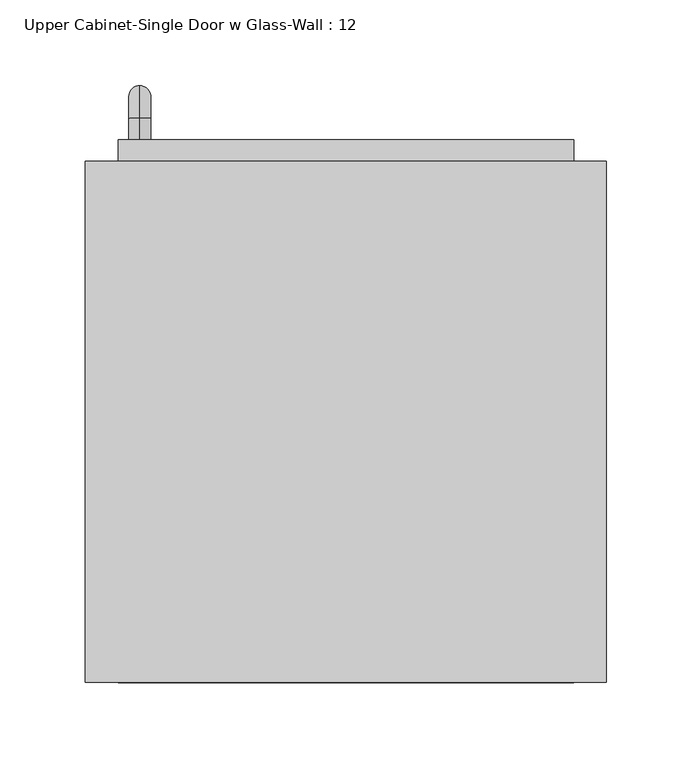
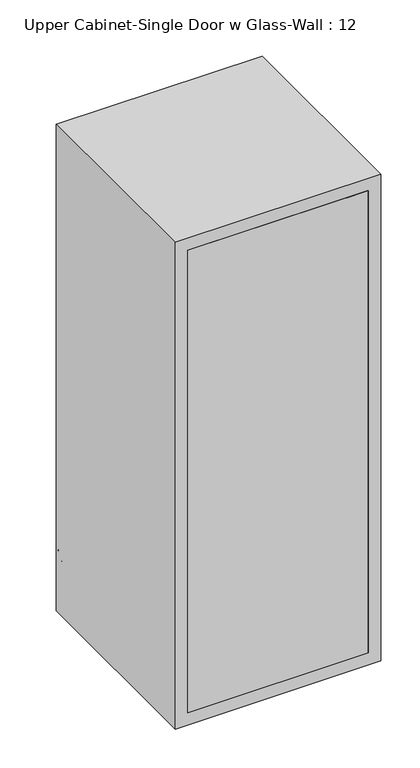
"""IFC4 building model written with IfcOpenShell, lengths in millimetres: furniture geometry, Upper Cabinet-Single Door w Glass-Wall : 12."""

import ifcopenshell
import ifcopenshell.guid

model = None  # the IFC model being written
_history = None  # IfcOwnerHistory: only IFC2X3 demands one
_inside = {}  # id of a spatial element -> (the spatial element, [elements in it])
_under = {}  # id of a project, library or spatial element -> (it, [spatial elements below it])
_declared = {}  # id of a project -> (the project, [libraries it declares])
_typed = {}  # id of a type object -> (the type object, [elements of that type])
_made_of = {}  # id of a material, layer set ... -> (it, [elements and type objects made of it])


def new_model(schema):
    """Start an empty IFC model of exactly this schema.

    Asked for "IFC4X3", IfcOpenShell would pick the latest addendum, in which some entities
    have other attributes; the version numbers below select the first issue.
    IFC2X3 requires an IfcOwnerHistory on every rooted entity: one is made here for all.
    """
    global model, _history
    if schema == "IFC4X3":
        model = ifcopenshell.file(schema_version=(4, 3, 0, 0))
    else:
        model = ifcopenshell.file(schema=schema)
    _inside.clear()
    _under.clear()
    _declared.clear()
    _typed.clear()
    _made_of.clear()
    _history = None
    if model.schema == "IFC2X3":
        org = make("IfcOrganization", Name="unknown")
        user = make(
            "IfcPersonAndOrganization",
            ThePerson=make("IfcPerson", FamilyName="unknown"),
            TheOrganization=org,
        )
        app = make(
            "IfcApplication",
            ApplicationDeveloper=org,
            Version="unknown",
            ApplicationFullName="unknown",
            ApplicationIdentifier="unknown",
        )
        _history = make(
            "IfcOwnerHistory",
            OwningUser=user,
            OwningApplication=app,
            ChangeAction="ADDED",
            CreationDate=0,
        )
    return model


def make(cls, **values):
    """One entity of the class cls with the attributes given. An attribute that is None is left unset."""
    return model.create_entity(
        cls, **{name: value for name, value in values.items() if value is not None}
    )


def rooted(cls, **values):
    """An entity with a GlobalId (a new one), such as an element, a storey or a relation."""
    return make(cls, GlobalId=ifcopenshell.guid.new(), OwnerHistory=_history, **values)


def si_unit(unit_type, name, prefix=None):
    """IfcSIUnit, for example si_unit("LENGTHUNIT", "METRE", prefix="MILLI")."""
    return make("IfcSIUnit", UnitType=unit_type, Prefix=prefix, Name=name)


def assignment(units):
    """IfcUnitAssignment: the units of a project."""
    return None if units is None else make("IfcUnitAssignment", Units=units)


def point(xyz):
    """IfcCartesianPoint."""
    return None if xyz is None else make("IfcCartesianPoint", Coordinates=xyz)


def direction(xyz):
    """IfcDirection."""
    return None if xyz is None else make("IfcDirection", DirectionRatios=xyz)


def frame(location, z_axis=None, x_axis=None):
    """IfcAxis2Placement3D, a coordinate frame: its origin and axes. An axis left out is left unset."""
    return make(
        "IfcAxis2Placement3D",
        Location=point(location),
        Axis=direction(z_axis),
        RefDirection=direction(x_axis),
    )


def origin():
    """The frame at (0, 0, 0) with its axes left unset."""
    return frame((0.0, 0.0, 0.0))


def place(relative_to, where):
    """IfcLocalPlacement: puts the frame where relative to a parent placement (None: the world)."""
    return make(
        "IfcLocalPlacement", PlacementRelTo=relative_to, RelativePlacement=where
    )


def context(
    kind, dimensions, precision=None, world=None, true_north=None, identifier=None
):
    """IfcGeometricRepresentationContext, for example the 3D "Model" context."""
    return make(
        "IfcGeometricRepresentationContext",
        ContextIdentifier=identifier,
        ContextType=kind,
        CoordinateSpaceDimension=dimensions,
        Precision=precision,
        WorldCoordinateSystem=world,
        TrueNorth=true_north,
    )


def project(units=None, contexts=None):
    """IfcProject with its units and contexts."""
    return rooted(
        "IfcProject",
        Name="project",
        RepresentationContexts=contexts,
        UnitsInContext=assignment(units),
    )


def spatial(cls, under=None, at=None, **own):
    """A site, building, storey or space (cls), placed at a placement, below another one or the project."""
    s = rooted(cls, ObjectPlacement=at, **own)
    if under is not None:
        _under.setdefault(under.id(), (under, []))[1].append(s)
    return s


def polyline(points):
    """IfcPolyline through the points."""
    return make("IfcPolyline", Points=[point(p) for p in points])


def circle_curve(where, radius):
    """IfcCircle in the frame where."""
    return make("IfcCircle", Position=where, Radius=radius)


def ellipse_curve(where, semi_axis1, semi_axis2):
    """IfcEllipse in the frame where."""
    return make(
        "IfcEllipse", Position=where, SemiAxis1=semi_axis1, SemiAxis2=semi_axis2
    )


def trimmed(basis, trim1, trim2, sense, master):
    """IfcTrimmedCurve: the piece of a basis curve between two trims."""
    return make(
        "IfcTrimmedCurve",
        BasisCurve=basis,
        Trim1=trim1,
        Trim2=trim2,
        SenseAgreement=sense,
        MasterRepresentation=master,
    )


def outline(outer, holes=None, kind="AREA"):
    """IfcArbitraryClosedProfileDef: a profile drawn as a closed curve; with holes, ...WithVoids."""
    if holes is None:
        return make("IfcArbitraryClosedProfileDef", ProfileType=kind, OuterCurve=outer)
    return make(
        "IfcArbitraryProfileDefWithVoids",
        ProfileType=kind,
        OuterCurve=outer,
        InnerCurves=holes,
    )


def extrude(swept, where, along, depth):
    """IfcExtrudedAreaSolid: the profile swept, set in the frame where, extruded along a direction by depth."""
    return make(
        "IfcExtrudedAreaSolid",
        SweptArea=swept,
        Position=where,
        ExtrudedDirection=direction(along),
        Depth=depth,
    )


def shape(context_of_items, identifier, shape_type, items):
    """IfcShapeRepresentation: the items that make up one representation, for example the "Body"."""
    return make(
        "IfcShapeRepresentation",
        ContextOfItems=context_of_items,
        RepresentationIdentifier=identifier,
        RepresentationType=shape_type,
        Items=items,
    )


def source(mapping_origin, context_of_items, identifier, shape_type, items):
    """IfcRepresentationMap: a shape defined once, which mapped items show again and again."""
    return make(
        "IfcRepresentationMap",
        MappingOrigin=mapping_origin,
        MappedRepresentation=shape(context_of_items, identifier, shape_type, items),
    )


def transform(
    local_origin,
    x_axis=None,
    y_axis=None,
    z_axis=None,
    scale=None,
    scale2=None,
    scale3=None,
    uniform=True,
):
    """IfcCartesianTransformationOperator3D, or its non-uniform kind. x_axis, y_axis, z_axis: its Axis1, 2, 3."""
    if uniform:
        return make(
            "IfcCartesianTransformationOperator3D",
            Axis1=direction(x_axis),
            Axis2=direction(y_axis),
            LocalOrigin=point(local_origin),
            Scale=scale,
            Axis3=direction(z_axis),
        )
    return make(
        "IfcCartesianTransformationOperator3DnonUniform",
        Axis1=direction(x_axis),
        Axis2=direction(y_axis),
        LocalOrigin=point(local_origin),
        Scale=scale,
        Axis3=direction(z_axis),
        Scale2=scale2,
        Scale3=scale3,
    )


def mapped(mapping_source, mapping_target):
    """IfcMappedItem: shows the shape of a source again, moved by a transform."""
    return make(
        "IfcMappedItem", MappingSource=mapping_source, MappingTarget=mapping_target
    )


def made_of(thing, what):
    """Note that an element or type object is made of a material, layer set ...; save() writes the relation."""
    if what is not None:
        _made_of.setdefault(what.id(), (what, []))[1].append(thing)
    return thing


def element(
    cls,
    number,
    at=None,
    inside=None,
    cuts=None,
    type_object=None,
    material=None,
    context=None,
    identifier="Body",
    shape_type=None,
    held_by="IfcProductDefinitionShape",
    body=None,
    shapes=None,
    **own,
):
    """One element of the class cls, such as IfcWall. Its Tag is "e" and its number.

    at: its placement. inside: the storey or other place that contains it. cuts: it is an
    opening in that element (IfcRelVoidsElement). A single representation is given by context,
    identifier, shape_type and body (its items); several are given by shapes. held_by: the class
    of the entity that holds the representations. save() writes the other relations.
    """
    e = rooted(cls, Tag="e%d" % number, ObjectPlacement=at, **own)
    if body is not None:
        shapes = [shape(context, identifier, shape_type, body)]
    if shapes is not None:
        e.Representation = make(held_by, Representations=shapes)
    if inside is not None:
        _inside.setdefault(inside.id(), (inside, []))[1].append(e)
    if cuts is not None:
        rooted(
            "IfcRelVoidsElement", RelatingBuildingElement=cuts, RelatedOpeningElement=e
        )
    if type_object is not None:
        _typed.setdefault(type_object.id(), (type_object, []))[1].append(e)
    return made_of(e, material)


def aggregate(whole, parts):
    """IfcRelAggregates: a whole, such as a stair, and the parts it consists of."""
    return rooted("IfcRelAggregates", RelatingObject=whole, RelatedObjects=parts)


def save(model, path):
    """Write the relations noted so far, then the file.

    IfcRelAggregates (storeys below a building ...), IfcRelContainedInSpatialStructure (elements
    in a storey), IfcRelDefinesByType, IfcRelAssociatesMaterial and IfcRelDeclares: one each for
    every whole, place, type object, material and project.
    """
    for whole, parts in _under.values():
        aggregate(whole, parts)
    for where, things in _inside.values():
        rooted(
            "IfcRelContainedInSpatialStructure",
            RelatedElements=things,
            RelatingStructure=where,
        )
    for kind, things in _typed.values():
        rooted("IfcRelDefinesByType", RelatedObjects=things, RelatingType=kind)
    for what, things in _made_of.values():
        rooted("IfcRelAssociatesMaterial", RelatedObjects=things, RelatingMaterial=what)
    for by, libraries in _declared.values():
        rooted("IfcRelDeclares", RelatingContext=by, RelatedDefinitions=libraries)
    model.write(path)


def plane_surface(at):
    """IfcPlane: the flat surface through the origin of the frame at, square to its z axis."""
    return make("IfcPlane", Position=at)


def cylinder_surface(at, radius):
    """IfcCylindricalSurface: all points at the distance radius from the z axis of the frame at."""
    return make("IfcCylindricalSurface", Position=at, Radius=radius)


def revolved_surface(curve, axis_point, axis_direction):
    """IfcSurfaceOfRevolution: the curve turned about the line through axis_point along axis_direction."""
    return make(
        "IfcSurfaceOfRevolution",
        SweptCurve=make("IfcArbitraryOpenProfileDef", ProfileType="CURVE", Curve=curve),
        AxisPosition=make("IfcAxis1Placement", Location=point(axis_point), Axis=direction(axis_direction)),
    )


def advanced_brep(points, edges, surfaces, faces):
    """IfcAdvancedBrep: a solid bounded by faces that lie on surfaces and meet in shared edges.

    An edge is (start, end): straight between two places in points (the first is 0);
    or (start, end, curve); or (start, end, curve, False) where it runs against its curve.
    A face is (place in surfaces, loops), or (place, loops, False) where it looks against
    its surface's normal. A loop lists edges by number (the first is 1), with a minus sign
    where the edge is run from its end to its start. The first loop is the outer one.
    """
    corners = [point(p) for p in points]
    vertices = [make("IfcVertexPoint", VertexGeometry=c) for c in corners]
    made = []
    for start, end, *more in edges:
        made.append(
            make(
                "IfcEdgeCurve",
                EdgeStart=vertices[start],
                EdgeEnd=vertices[end],
                EdgeGeometry=more[0] if more else make("IfcPolyline", Points=[corners[start], corners[end]]),
                SameSense=more[1] if len(more) > 1 else True,
            )
        )
    hull = []
    for where, loops, *sense in faces:
        bounds = []
        for j, loop in enumerate(loops):
            ring = [make("IfcOrientedEdge", EdgeElement=made[abs(k) - 1], Orientation=k > 0) for k in loop]
            bounds.append(
                make(
                    "IfcFaceOuterBound" if j == 0 else "IfcFaceBound",
                    Bound=make("IfcEdgeLoop", EdgeList=ring),
                    Orientation=True,
                )
            )
        hull.append(make("IfcAdvancedFace", Bounds=bounds, FaceSurface=surfaces[where], SameSense=sense[0] if sense else True))
    return make("IfcAdvancedBrep", Outer=make("IfcClosedShell", CfsFaces=hull))


def upper_cabinet_single_door_w_glass_wall_12_1d79a73d(model_context):
    return source(origin(), model_context, "Body", "SolidModel", [
        advanced_brep(
        [(-90.8788372, 387.35, 1517.65), (-90.8788372, 387.35, 1530.35), (-90.8788372, 400.05, 1517.65), (-90.8788372, 400.05, 1530.35), (-90.8788372, 419.1, 1511.3), (-90.8788372, 406.4, 1511.3), (-90.8788372, 406.4, 1435.1), (-90.8788372, 419.1, 1435.1), (-90.8788372, 400.05, 1416.05), (-90.8788372, 400.05, 1428.75), (-90.8788372, 387.35, 1428.75), (-90.8788372, 387.35, 1416.05)],
        [
            (0, 1, circle_curve(frame((-90.8788372, 387.35, 1524.0), z_axis=(0.0, -1.0, 0.0), x_axis=(0.0, 0.0, 1.0)), 6.35)),
            (1, 0, circle_curve(frame((-90.8788372, 387.35, 1524.0), z_axis=(0.0, -1.0, 0.0), x_axis=(0.0, 0.0, 1.0)), 6.35)),
            (0, 2),
            (2, 3, circle_curve(frame((-90.8788372, 400.05, 1524.0), z_axis=(0.0, -1.0, 0.0), x_axis=(0.0, 0.0, 1.0)), 6.35)),
            (3, 1),
            (3, 2, circle_curve(frame((-90.8788372, 400.05, 1524.0), z_axis=(0.0, -1.0, 0.0), x_axis=(0.0, 0.0, 1.0)), 6.35)),
            (4, 3, circle_curve(frame((-90.8788372, 400.05, 1511.3), z_axis=(1.0, 0.0, 0.0), x_axis=(0.0, 0.0, 1.0)), 19.05)),
            (2, 5, circle_curve(frame((-90.8788372, 400.05, 1511.3), z_axis=(-1.0, 0.0, 0.0), x_axis=(0.0, 0.0, 1.0)), 6.35)),
            (5, 4, circle_curve(frame((-90.8788372, 412.75, 1511.3), z_axis=(0.0, 0.0, 1.0), x_axis=(0.0, 1.0, 0.0)), 6.35)),
            (4, 5, circle_curve(frame((-90.8788372, 412.75, 1511.3), z_axis=(0.0, 0.0, 1.0), x_axis=(0.0, 1.0, 0.0)), 6.35)),
            (5, 6),
            (6, 7, circle_curve(frame((-90.8788372, 412.75, 1435.1), z_axis=(0.0, 0.0, 1.0), x_axis=(0.0, 1.0, 0.0)), 6.35)),
            (7, 4),
            (7, 6, circle_curve(frame((-90.8788372, 412.75, 1435.1), z_axis=(0.0, 0.0, 1.0), x_axis=(0.0, 1.0, 0.0)), 6.35)),
            (8, 7, circle_curve(frame((-90.8788372, 400.05, 1435.1), z_axis=(1.0, 0.0, 0.0), x_axis=(0.0, 1.0, 0.0)), 19.05)),
            (6, 9, circle_curve(frame((-90.8788372, 400.05, 1435.1), z_axis=(-1.0, 0.0, 0.0), x_axis=(0.0, 1.0, 0.0)), 6.35)),
            (9, 8, circle_curve(frame((-90.8788372, 400.05, 1422.4), z_axis=(0.0, 1.0, 0.0), x_axis=(0.0, 0.0, -1.0)), 6.35)),
            (8, 9, circle_curve(frame((-90.8788372, 400.05, 1422.4), z_axis=(0.0, 1.0, 0.0), x_axis=(0.0, 0.0, -1.0)), 6.35)),
            (10, 11, circle_curve(frame((-90.8788372, 387.35, 1422.4), z_axis=(0.0, -1.0, 0.0), x_axis=(0.0, 0.0, -1.0)), 6.35)),
            (11, 10, circle_curve(frame((-90.8788372, 387.35, 1422.4), z_axis=(0.0, -1.0, 0.0), x_axis=(0.0, 0.0, -1.0)), 6.35)),
            (9, 10),
            (11, 8),
        ],
        [
            plane_surface(frame((-97.2288372, 387.35, 1524.0), z_axis=(0.0, -1.0, 0.0), x_axis=(0.0, 0.0, 1.0))),
            cylinder_surface(frame((-90.8788372, 387.35, 1524.0), z_axis=(0.0, -1.0, 0.0), x_axis=(0.0, 0.0, 1.0)), 6.35),
            revolved_surface(trimmed(ellipse_curve(frame((-90.8788372, 400.05, 1524.0), z_axis=(0.0, -1.0, 0.0), x_axis=(0.0, 0.0, 1.0)), 6.35, 6.35), [point((-90.8788372, 400.05, 1517.65))], [point((-90.8788372, 400.05, 1530.35))], True, "CARTESIAN"), (-90.8788372, 400.05, 1511.3), (-1.0, 0.0, 0.0)),
            revolved_surface(trimmed(ellipse_curve(frame((-90.8788372, 400.05, 1524.0), z_axis=(0.0, -1.0, 0.0), x_axis=(0.0, 0.0, 1.0)), 6.35, 6.35), [point((-90.8788372, 400.05, 1530.35))], [point((-90.8788372, 400.05, 1517.65))], True, "CARTESIAN"), (-90.8788372, 400.05, 1511.3), (-1.0, 0.0, 0.0)),
            cylinder_surface(frame((-90.8788372, 412.75, 1511.3), z_axis=(0.0, 0.0, 1.0), x_axis=(0.0, 1.0, 0.0)), 6.35),
            revolved_surface(trimmed(ellipse_curve(frame((-90.8788372, 412.75, 1435.1), z_axis=(0.0, 0.0, 1.0), x_axis=(0.0, 1.0, 0.0)), 6.35, 6.35), [point((-90.8788372, 406.4, 1435.1))], [point((-90.8788372, 419.1, 1435.1))], True, "CARTESIAN"), (-90.8788372, 400.05, 1435.1), (-1.0, 0.0, 0.0)),
            revolved_surface(trimmed(ellipse_curve(frame((-90.8788372, 412.75, 1435.1), z_axis=(0.0, 0.0, 1.0), x_axis=(0.0, 1.0, 0.0)), 6.35, 6.35), [point((-90.8788372, 419.1, 1435.1))], [point((-90.8788372, 406.4, 1435.1))], True, "CARTESIAN"), (-90.8788372, 400.05, 1435.1), (-1.0, 0.0, 0.0)),
            plane_surface(frame((-97.2288372, 387.35, 1422.4), z_axis=(0.0, -1.0, 0.0), x_axis=(0.0, 0.0, -1.0))),
            cylinder_surface(frame((-90.8788372, 400.05, 1422.4), z_axis=(0.0, 1.0, 0.0), x_axis=(0.0, 0.0, -1.0)), 6.35),
        ],
        [
            (0, [[1, 2]]),
            (1, [[-1, 3, 4, 5]]),
            (1, [[-2, -5, 6, -3]]),
            (2, [[7, -4, 8, 9]]),
            (3, [[-8, -6, -7, 10]]),
            (4, [[-9, 11, 12, 13]]),
            (4, [[-10, -13, 14, -11]]),
            (5, [[15, -12, 16, 17]]),
            (6, [[-16, -14, -15, 18]]),
            (7, [[19, 20]]),
            (8, [[-17, 21, -20, 22]]),
            (8, [[-18, -22, -19, -21]]),
        ],
    ),
        extrude(outline(polyline([(-71.8288372, 368.3), (131.3711628, 368.3), (131.3711628, 361.95), (-71.8288372, 361.95), (-71.8288372, 368.3)])), frame((0.0, 0.0, 1422.4), z_axis=(0.0, 0.0, 1.0), x_axis=(1.0, 0.0, 0.0)), (0.0, 0.0, 1.0), 660.4),
        extrude(outline(polyline([(2114.55, -103.5788372), (1390.65, -103.5788372), (1390.65, 163.1211628), (2114.55, 163.1211628), (2114.55, -103.5788372)]), holes=[polyline([(1422.4, -71.8288372), (2082.8, -71.8288372), (2082.8, 131.3711628), (1422.4, 131.3711628), (1422.4, -71.8288372)])]), frame((0.0, 355.6, 0.0), z_axis=(0.0, 1.0, 0.0), x_axis=(0.0, 0.0, 1.0)), (0.0, 0.0, 1.0), 31.75),
        extrude(outline(polyline([(163.1211628, 69.85), (-103.5788372, 69.85), (-103.5788372, 88.9), (163.1211628, 88.9), (163.1211628, 69.85)])), frame((0.0, 0.0, 1390.65), z_axis=(0.0, 0.0, 1.0), x_axis=(1.0, 0.0, 0.0)), (0.0, 0.0, 1.0), 723.9),
        extrude(outline(polyline([(2133.6, -122.6288372), (1371.6, -122.6288372), (1371.6, 182.1711628), (2133.6, 182.1711628), (2133.6, -122.6288372)]), holes=[polyline([(2114.55, -103.5788372), (2114.55, 163.1211628), (1390.65, 163.1211628), (1390.65, -103.5788372), (2114.55, -103.5788372)])]), frame((0.0, 69.85, 0.0), z_axis=(0.0, 1.0, 0.0), x_axis=(0.0, 0.0, 1.0)), (0.0, 0.0, 1.0), 304.8),
    ])


if __name__ == "__main__":
    model = new_model("IFC4")
    model_context = context("Model", 3, world=origin())
    ifc_project = project(units=[si_unit("LENGTHUNIT", "METRE", prefix="MILLI")], contexts=[model_context])
    site = spatial("IfcSite", under=ifc_project)
    building = spatial("IfcBuilding", under=site)
    placement = place(None, origin())
    upper_cabinet_single_door_w_glass_wall_12_shape = upper_cabinet_single_door_w_glass_wall_12_1d79a73d(model_context)
    element("IfcFurniture", 1, ObjectType="Upper Cabinet-Single Door w Glass-Wall : 12", at=placement, inside=building, context=model_context, shape_type="MappedRepresentation", body=[
        mapped(upper_cabinet_single_door_w_glass_wall_12_shape, transform((0.0, 0.0, 0.0), x_axis=(1.0, 0.0, 0.0), y_axis=(0.0, 1.0, 0.0), z_axis=(0.0, 0.0, 1.0))),
    ])
    save(model, "model.ifc")
